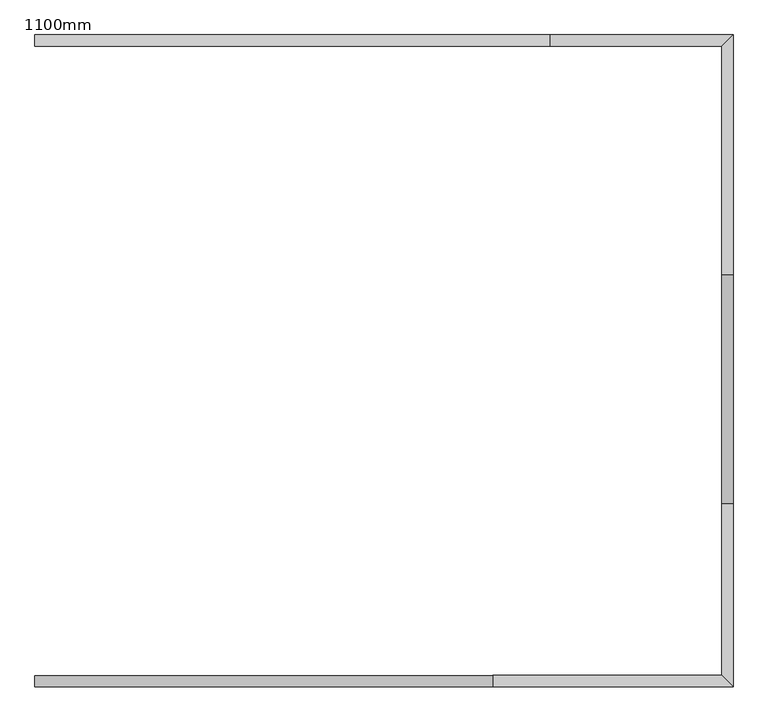
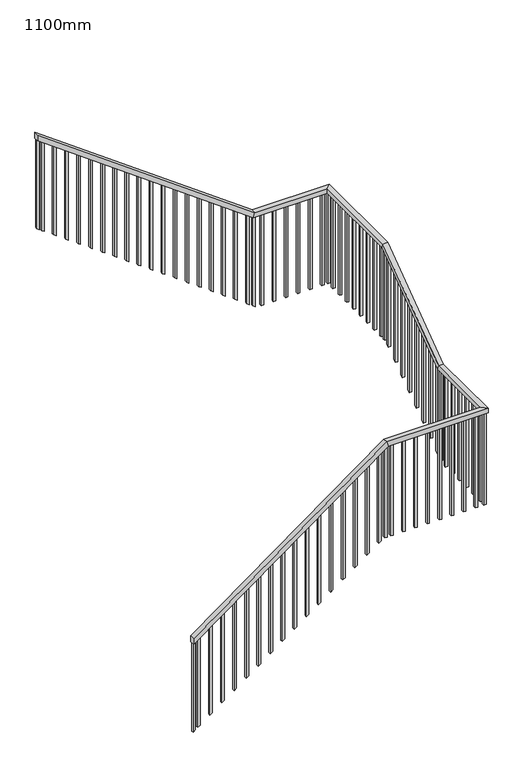
"""IFC4 building model written with IfcOpenShell, lengths in millimetres: railing geometry, 1100mm."""

from ifc_helpers import new_model, si_unit, frame, origin, place, context, project, spatial, polyline, outline, extrude, faceted_brep, source, transform, mapped, element, save


def railing_1100mm_8f896133(model_context):
    return source(origin(), model_context, "Body", "SolidModel", [
        faceted_brep([(1277.8932271, 2462.0434062, 1281.8181818), (1277.8932271, 2512.0434062, 1281.8181818), (1277.8932271, 2512.0434062, 1219.9933159), (1277.8932271, 2462.0434062, 1219.9933159), (3277.8932271, 2462.0434062, 2736.3636364), (3277.8932271, 2512.0434062, 2736.3636364), (3294.1524178, 2512.0434062, 2686.3636364), (3294.1524178, 2462.0434062, 2686.3636364), (4327.8932271, 2462.0434062, 2736.3636364), (4277.8932271, 2512.0434062, 2736.3636364), (4277.8932271, 2512.0434062, 2686.3636364), (4327.8932271, 2462.0434062, 2686.3636364), (4327.8932271, 3262.0434062, 2736.3636364), (4277.8932271, 3262.0434062, 2736.3636364), (4277.8932271, 3278.3025969, 2686.3636364), (4327.8932271, 3278.3025969, 2686.3636364), (4327.8932271, 4262.0434062, 3463.6363636), (4277.8932271, 4262.0434062, 3463.6363636), (4277.8932271, 4278.3025969, 3413.6363636), (4327.8932271, 4278.3025969, 3413.6363636), (4327.8932271, 5312.0434062, 3463.6363636), (4277.8932271, 5262.0434062, 3463.6363636), (4277.8932271, 5262.0434062, 3413.6363636), (4327.8932271, 5312.0434062, 3413.6363636), (3527.8932271, 5312.0434062, 3463.6363636), (3527.8932271, 5262.0434062, 3463.6363636), (3511.6340364, 5262.0434062, 3413.6363636), (3511.6340364, 5312.0434062, 3413.6363636), (1277.8932271, 5312.0434062, 5100.0), (1277.8932271, 5312.0434062, 5038.1751341), (1277.8932271, 5262.0434062, 5038.1751341), (1277.8932271, 5262.0434062, 5100.0)], [[[0, 1, 2, 3]], [[1, 0, 4, 5]], [[2, 1, 5, 6]], [[3, 2, 6, 7]], [[0, 3, 7, 4]], [[5, 4, 8, 9]], [[6, 5, 9, 10]], [[7, 6, 10, 11]], [[4, 7, 11, 8]], [[9, 8, 12, 13]], [[10, 9, 13, 14]], [[11, 10, 14, 15]], [[8, 11, 15, 12]], [[13, 12, 16, 17]], [[14, 13, 17, 18]], [[15, 14, 18, 19]], [[12, 15, 19, 16]], [[17, 16, 20, 21]], [[18, 17, 21, 22]], [[19, 18, 22, 23]], [[16, 19, 23, 20]], [[21, 20, 24, 25]], [[22, 21, 25, 26]], [[23, 22, 26, 27]], [[20, 23, 27, 24]], [[28, 29, 30, 31]], [[25, 24, 28, 31]], [[26, 25, 31, 30]], [[27, 26, 30, 29]], [[24, 27, 29, 28]]]),
        extrude(outline(polyline([(4011.1967897, 1352.8932271), (4983.6296795, 1352.8932271), (5001.8114977, 1327.8932271), (4029.3786078, 1327.8932271), (4011.1967897, 1352.8932271)])), frame((0.0, 5274.5434062, 0.0), z_axis=(0.0, 1.0, 0.0), x_axis=(0.0, 0.0, 1.0)), (0.0, 0.0, 1.0), 25.0),
        extrude(outline(polyline([(3920.2876987, 1477.8932271), (4892.7205886, 1477.8932271), (4910.9024068, 1452.8932271), (3938.4695169, 1452.8932271), (3920.2876987, 1477.8932271)])), frame((0.0, 5274.5434062, 0.0), z_axis=(0.0, 1.0, 0.0), x_axis=(0.0, 0.0, 1.0)), (0.0, 0.0, 1.0), 25.0),
        extrude(outline(polyline([(3829.3786078, 1602.8932271), (4801.8114977, 1602.8932271), (4819.9933159, 1577.8932271), (3847.560426, 1577.8932271), (3829.3786078, 1602.8932271)])), frame((0.0, 5274.5434062, 0.0), z_axis=(0.0, 1.0, 0.0), x_axis=(0.0, 0.0, 1.0)), (0.0, 0.0, 1.0), 25.0),
        extrude(outline(polyline([(3738.4695169, 1727.8932271), (4710.9024068, 1727.8932271), (4729.084225, 1702.8932271), (3756.6513351, 1702.8932271), (3738.4695169, 1727.8932271)])), frame((0.0, 5274.5434062, 0.0), z_axis=(0.0, 1.0, 0.0), x_axis=(0.0, 0.0, 1.0)), (0.0, 0.0, 1.0), 25.0),
        extrude(outline(polyline([(3647.560426, 1852.8932271), (4619.9933159, 1852.8932271), (4638.1751341, 1827.8932271), (3665.7422442, 1827.8932271), (3647.560426, 1852.8932271)])), frame((0.0, 5274.5434062, 0.0), z_axis=(0.0, 1.0, 0.0), x_axis=(0.0, 0.0, 1.0)), (0.0, 0.0, 1.0), 25.0),
        extrude(outline(polyline([(3556.6513351, 1977.8932271), (4529.084225, 1977.8932271), (4547.2660431, 1952.8932271), (3574.8331533, 1952.8932271), (3556.6513351, 1977.8932271)])), frame((0.0, 5274.5434062, 0.0), z_axis=(0.0, 1.0, 0.0), x_axis=(0.0, 0.0, 1.0)), (0.0, 0.0, 1.0), 25.0),
        extrude(outline(polyline([(3465.7422442, 2102.8932271), (4438.1751341, 2102.8932271), (4456.3569522, 2077.8932271), (3483.9240624, 2077.8932271), (3465.7422442, 2102.8932271)])), frame((0.0, 5274.5434062, 0.0), z_axis=(0.0, 1.0, 0.0), x_axis=(0.0, 0.0, 1.0)), (0.0, 0.0, 1.0), 25.0),
        extrude(outline(polyline([(3374.8331533, 2227.8932271), (4347.2660431, 2227.8932271), (4365.4478613, 2202.8932271), (3393.0149715, 2202.8932271), (3374.8331533, 2227.8932271)])), frame((0.0, 5274.5434062, 0.0), z_axis=(0.0, 1.0, 0.0), x_axis=(0.0, 0.0, 1.0)), (0.0, 0.0, 1.0), 25.0),
        extrude(outline(polyline([(3283.9240624, 2352.8932271), (4256.3569522, 2352.8932271), (4274.5387704, 2327.8932271), (3302.1058806, 2327.8932271), (3283.9240624, 2352.8932271)])), frame((0.0, 5274.5434062, 0.0), z_axis=(0.0, 1.0, 0.0), x_axis=(0.0, 0.0, 1.0)), (0.0, 0.0, 1.0), 25.0),
        extrude(outline(polyline([(3193.0149715, 2477.8932271), (4165.4478613, 2477.8932271), (4183.6296795, 2452.8932271), (3211.1967897, 2452.8932271), (3193.0149715, 2477.8932271)])), frame((0.0, 5274.5434062, 0.0), z_axis=(0.0, 1.0, 0.0), x_axis=(0.0, 0.0, 1.0)), (0.0, 0.0, 1.0), 25.0),
        extrude(outline(polyline([(3102.1058806, 2602.8932271), (4074.5387704, 2602.8932271), (4092.7205886, 2577.8932271), (3120.2876987, 2577.8932271), (3102.1058806, 2602.8932271)])), frame((0.0, 5274.5434062, 0.0), z_axis=(0.0, 1.0, 0.0), x_axis=(0.0, 0.0, 1.0)), (0.0, 0.0, 1.0), 25.0),
        extrude(outline(polyline([(3011.1967897, 2727.8932271), (3983.6296795, 2727.8932271), (4001.8114977, 2702.8932271), (3029.3786078, 2702.8932271), (3011.1967897, 2727.8932271)])), frame((0.0, 5274.5434062, 0.0), z_axis=(0.0, 1.0, 0.0), x_axis=(0.0, 0.0, 1.0)), (0.0, 0.0, 1.0), 25.0),
        extrude(outline(polyline([(2920.2876987, 2852.8932271), (3892.7205886, 2852.8932271), (3910.9024068, 2827.8932271), (2938.4695169, 2827.8932271), (2920.2876987, 2852.8932271)])), frame((0.0, 5274.5434062, 0.0), z_axis=(0.0, 1.0, 0.0), x_axis=(0.0, 0.0, 1.0)), (0.0, 0.0, 1.0), 25.0),
        extrude(outline(polyline([(2829.3786078, 2977.8932271), (3801.8114977, 2977.8932271), (3819.9933159, 2952.8932271), (2847.560426, 2952.8932271), (2829.3786078, 2977.8932271)])), frame((0.0, 5274.5434062, 0.0), z_axis=(0.0, 1.0, 0.0), x_axis=(0.0, 0.0, 1.0)), (0.0, 0.0, 1.0), 25.0),
        extrude(outline(polyline([(2738.4695169, 3102.8932271), (3710.9024068, 3102.8932271), (3729.084225, 3077.8932271), (2756.6513351, 3077.8932271), (2738.4695169, 3102.8932271)])), frame((0.0, 5274.5434062, 0.0), z_axis=(0.0, 1.0, 0.0), x_axis=(0.0, 0.0, 1.0)), (0.0, 0.0, 1.0), 25.0),
        extrude(outline(polyline([(2647.560426, 3227.8932271), (3619.9933159, 3227.8932271), (3638.1751341, 3202.8932271), (2665.7422442, 3202.8932271), (2647.560426, 3227.8932271)])), frame((0.0, 5274.5434062, 0.0), z_axis=(0.0, 1.0, 0.0), x_axis=(0.0, 0.0, 1.0)), (0.0, 0.0, 1.0), 25.0),
        extrude(outline(polyline([(2556.6513351, 3352.8932271), (3529.084225, 3352.8932271), (3547.2660431, 3327.8932271), (2574.8331533, 3327.8932271), (2556.6513351, 3352.8932271)])), frame((0.0, 5274.5434062, 0.0), z_axis=(0.0, 1.0, 0.0), x_axis=(0.0, 0.0, 1.0)), (0.0, 0.0, 1.0), 25.0),
        extrude(outline(polyline([(2465.7422442, 3477.8932271), (3438.1751341, 3477.8932271), (3456.3569522, 3452.8932271), (2483.9240624, 3452.8932271), (2465.7422442, 3477.8932271)])), frame((0.0, 5274.5434062, 0.0), z_axis=(0.0, 1.0, 0.0), x_axis=(0.0, 0.0, 1.0)), (0.0, 0.0, 1.0), 25.0),
        extrude(outline(polyline([(3627.8932271, 5299.5434062), (3627.8932271, 5274.5434062), (3602.8932271, 5274.5434062), (3602.8932271, 5299.5434062), (3627.8932271, 5299.5434062)])), frame((0.0, 0.0, 2410.3655468), z_axis=(0.0, 0.0, 1.0), x_axis=(1.0, 0.0, 0.0)), (0.0, 0.0, 1.0), 1003.2708169),
        extrude(outline(polyline([(3752.8932271, 5299.5434062), (3752.8932271, 5274.5434062), (3727.8932271, 5274.5434062), (3727.8932271, 5299.5434062), (3752.8932271, 5299.5434062)])), frame((0.0, 0.0, 2410.3655468), z_axis=(0.0, 0.0, 1.0), x_axis=(1.0, 0.0, 0.0)), (0.0, 0.0, 1.0), 1003.2708169),
        extrude(outline(polyline([(3877.8932271, 5299.5434062), (3877.8932271, 5274.5434062), (3852.8932271, 5274.5434062), (3852.8932271, 5299.5434062), (3877.8932271, 5299.5434062)])), frame((0.0, 0.0, 2410.3655468), z_axis=(0.0, 0.0, 1.0), x_axis=(1.0, 0.0, 0.0)), (0.0, 0.0, 1.0), 1003.2708169),
        extrude(outline(polyline([(4002.8932271, 5299.5434062), (4002.8932271, 5274.5434062), (3977.8932271, 5274.5434062), (3977.8932271, 5299.5434062), (4002.8932271, 5299.5434062)])), frame((0.0, 0.0, 2410.3655468), z_axis=(0.0, 0.0, 1.0), x_axis=(1.0, 0.0, 0.0)), (0.0, 0.0, 1.0), 1003.2708169),
        extrude(outline(polyline([(4127.8932271, 5299.5434062), (4127.8932271, 5274.5434062), (4102.8932271, 5274.5434062), (4102.8932271, 5299.5434062), (4127.8932271, 5299.5434062)])), frame((0.0, 0.0, 2410.3655468), z_axis=(0.0, 0.0, 1.0), x_axis=(1.0, 0.0, 0.0)), (0.0, 0.0, 1.0), 1003.2708169),
        extrude(outline(polyline([(4252.8932271, 5299.5434062), (4252.8932271, 5274.5434062), (4227.8932271, 5274.5434062), (4227.8932271, 5299.5434062), (4252.8932271, 5299.5434062)])), frame((0.0, 0.0, 2410.3655468), z_axis=(0.0, 0.0, 1.0), x_axis=(1.0, 0.0, 0.0)), (0.0, 0.0, 1.0), 1003.2708169),
        extrude(outline(polyline([(4315.3932271, 5187.0434062), (4290.3932271, 5187.0434062), (4290.3932271, 5212.0434062), (4315.3932271, 5212.0434062), (4315.3932271, 5187.0434062)])), frame((0.0, 0.0, 2410.3655468), z_axis=(0.0, 0.0, 1.0), x_axis=(1.0, 0.0, 0.0)), (0.0, 0.0, 1.0), 1003.2708169),
        extrude(outline(polyline([(4315.3932271, 5062.0434062), (4290.3932271, 5062.0434062), (4290.3932271, 5087.0434062), (4315.3932271, 5087.0434062), (4315.3932271, 5062.0434062)])), frame((0.0, 0.0, 2410.3655468), z_axis=(0.0, 0.0, 1.0), x_axis=(1.0, 0.0, 0.0)), (0.0, 0.0, 1.0), 1003.2708169),
        extrude(outline(polyline([(4315.3932271, 4937.0434062), (4290.3932271, 4937.0434062), (4290.3932271, 4962.0434062), (4315.3932271, 4962.0434062), (4315.3932271, 4937.0434062)])), frame((0.0, 0.0, 2410.3655468), z_axis=(0.0, 0.0, 1.0), x_axis=(1.0, 0.0, 0.0)), (0.0, 0.0, 1.0), 1003.2708169),
        extrude(outline(polyline([(4315.3932271, 4812.0434062), (4290.3932271, 4812.0434062), (4290.3932271, 4837.0434062), (4315.3932271, 4837.0434062), (4315.3932271, 4812.0434062)])), frame((0.0, 0.0, 2410.3655468), z_axis=(0.0, 0.0, 1.0), x_axis=(1.0, 0.0, 0.0)), (0.0, 0.0, 1.0), 1003.2708169),
        extrude(outline(polyline([(4315.3932271, 4687.0434062), (4290.3932271, 4687.0434062), (4290.3932271, 4712.0434062), (4315.3932271, 4712.0434062), (4315.3932271, 4687.0434062)])), frame((0.0, 0.0, 2410.3655468), z_axis=(0.0, 0.0, 1.0), x_axis=(1.0, 0.0, 0.0)), (0.0, 0.0, 1.0), 1003.2708169),
        extrude(outline(polyline([(4315.3932271, 4562.0434062), (4290.3932271, 4562.0434062), (4290.3932271, 4587.0434062), (4315.3932271, 4587.0434062), (4315.3932271, 4562.0434062)])), frame((0.0, 0.0, 2410.3655468), z_axis=(0.0, 0.0, 1.0), x_axis=(1.0, 0.0, 0.0)), (0.0, 0.0, 1.0), 1003.2708169),
        extrude(outline(polyline([(4315.3932271, 4437.0434062), (4290.3932271, 4437.0434062), (4290.3932271, 4462.0434062), (4315.3932271, 4462.0434062), (4315.3932271, 4437.0434062)])), frame((0.0, 0.0, 2410.3655468), z_axis=(0.0, 0.0, 1.0), x_axis=(1.0, 0.0, 0.0)), (0.0, 0.0, 1.0), 1003.2708169),
        extrude(outline(polyline([(4315.3932271, 4312.0434062), (4290.3932271, 4312.0434062), (4290.3932271, 4337.0434062), (4315.3932271, 4337.0434062), (4315.3932271, 4312.0434062)])), frame((0.0, 0.0, 2410.3655468), z_axis=(0.0, 0.0, 1.0), x_axis=(1.0, 0.0, 0.0)), (0.0, 0.0, 1.0), 1003.2708169),
        extrude(outline(polyline([(4187.0434062, 2374.8331533), (4187.0434062, 3347.2660431), (4212.0434062, 3365.4478613), (4212.0434062, 2393.0149715), (4187.0434062, 2374.8331533)])), frame((4290.3932271, 0.0, 0.0), z_axis=(1.0, 0.0, 0.0), x_axis=(0.0, 1.0, 0.0)), (0.0, 0.0, 1.0), 25.0),
        extrude(outline(polyline([(4062.0434062, 2283.9240624), (4062.0434062, 3256.3569522), (4087.0434062, 3274.5387704), (4087.0434062, 2302.1058806), (4062.0434062, 2283.9240624)])), frame((4290.3932271, 0.0, 0.0), z_axis=(1.0, 0.0, 0.0), x_axis=(0.0, 1.0, 0.0)), (0.0, 0.0, 1.0), 25.0),
        extrude(outline(polyline([(3937.0434062, 2193.0149715), (3937.0434062, 3165.4478613), (3962.0434062, 3183.6296795), (3962.0434062, 2211.1967897), (3937.0434062, 2193.0149715)])), frame((4290.3932271, 0.0, 0.0), z_axis=(1.0, 0.0, 0.0), x_axis=(0.0, 1.0, 0.0)), (0.0, 0.0, 1.0), 25.0),
        extrude(outline(polyline([(3812.0434062, 2102.1058806), (3812.0434062, 3074.5387704), (3837.0434062, 3092.7205886), (3837.0434062, 2120.2876987), (3812.0434062, 2102.1058806)])), frame((4290.3932271, 0.0, 0.0), z_axis=(1.0, 0.0, 0.0), x_axis=(0.0, 1.0, 0.0)), (0.0, 0.0, 1.0), 25.0),
        extrude(outline(polyline([(3687.0434062, 2011.1967897), (3687.0434062, 2983.6296795), (3712.0434062, 3001.8114977), (3712.0434062, 2029.3786078), (3687.0434062, 2011.1967897)])), frame((4290.3932271, 0.0, 0.0), z_axis=(1.0, 0.0, 0.0), x_axis=(0.0, 1.0, 0.0)), (0.0, 0.0, 1.0), 25.0),
        extrude(outline(polyline([(3562.0434062, 1920.2876987), (3562.0434062, 2892.7205886), (3587.0434062, 2910.9024068), (3587.0434062, 1938.4695169), (3562.0434062, 1920.2876987)])), frame((4290.3932271, 0.0, 0.0), z_axis=(1.0, 0.0, 0.0), x_axis=(0.0, 1.0, 0.0)), (0.0, 0.0, 1.0), 25.0),
        extrude(outline(polyline([(3437.0434062, 1829.3786078), (3437.0434062, 2801.8114977), (3462.0434062, 2819.9933159), (3462.0434062, 1847.560426), (3437.0434062, 1829.3786078)])), frame((4290.3932271, 0.0, 0.0), z_axis=(1.0, 0.0, 0.0), x_axis=(0.0, 1.0, 0.0)), (0.0, 0.0, 1.0), 25.0),
        extrude(outline(polyline([(3312.0434062, 1738.4695169), (3312.0434062, 2710.9024068), (3337.0434062, 2729.084225), (3337.0434062, 1756.6513351), (3312.0434062, 1738.4695169)])), frame((4290.3932271, 0.0, 0.0), z_axis=(1.0, 0.0, 0.0), x_axis=(0.0, 1.0, 0.0)), (0.0, 0.0, 1.0), 25.0),
        extrude(outline(polyline([(4315.3932271, 3162.0434062), (4290.3932271, 3162.0434062), (4290.3932271, 3187.0434062), (4315.3932271, 3187.0434062), (4315.3932271, 3162.0434062)])), frame((0.0, 0.0, 1683.0928195), z_axis=(0.0, 0.0, 1.0), x_axis=(1.0, 0.0, 0.0)), (0.0, 0.0, 1.0), 1003.2708169),
        extrude(outline(polyline([(4315.3932271, 3037.0434062), (4290.3932271, 3037.0434062), (4290.3932271, 3062.0434062), (4315.3932271, 3062.0434062), (4315.3932271, 3037.0434062)])), frame((0.0, 0.0, 1683.0928195), z_axis=(0.0, 0.0, 1.0), x_axis=(1.0, 0.0, 0.0)), (0.0, 0.0, 1.0), 1003.2708169),
        extrude(outline(polyline([(4315.3932271, 2912.0434062), (4290.3932271, 2912.0434062), (4290.3932271, 2937.0434062), (4315.3932271, 2937.0434062), (4315.3932271, 2912.0434062)])), frame((0.0, 0.0, 1683.0928195), z_axis=(0.0, 0.0, 1.0), x_axis=(1.0, 0.0, 0.0)), (0.0, 0.0, 1.0), 1003.2708169),
        extrude(outline(polyline([(4315.3932271, 2787.0434062), (4290.3932271, 2787.0434062), (4290.3932271, 2812.0434062), (4315.3932271, 2812.0434062), (4315.3932271, 2787.0434062)])), frame((0.0, 0.0, 1683.0928195), z_axis=(0.0, 0.0, 1.0), x_axis=(1.0, 0.0, 0.0)), (0.0, 0.0, 1.0), 1003.2708169),
        extrude(outline(polyline([(4315.3932271, 2662.0434062), (4290.3932271, 2662.0434062), (4290.3932271, 2687.0434062), (4315.3932271, 2687.0434062), (4315.3932271, 2662.0434062)])), frame((0.0, 0.0, 1683.0928195), z_axis=(0.0, 0.0, 1.0), x_axis=(1.0, 0.0, 0.0)), (0.0, 0.0, 1.0), 1003.2708169),
        extrude(outline(polyline([(4315.3932271, 2537.0434062), (4290.3932271, 2537.0434062), (4290.3932271, 2562.0434062), (4315.3932271, 2562.0434062), (4315.3932271, 2537.0434062)])), frame((0.0, 0.0, 1683.0928195), z_axis=(0.0, 0.0, 1.0), x_axis=(1.0, 0.0, 0.0)), (0.0, 0.0, 1.0), 1003.2708169),
        extrude(outline(polyline([(4202.8932271, 2474.5434062), (4202.8932271, 2499.5434062), (4227.8932271, 2499.5434062), (4227.8932271, 2474.5434062), (4202.8932271, 2474.5434062)])), frame((0.0, 0.0, 1683.0928195), z_axis=(0.0, 0.0, 1.0), x_axis=(1.0, 0.0, 0.0)), (0.0, 0.0, 1.0), 1003.2708169),
        extrude(outline(polyline([(4077.8932271, 2474.5434062), (4077.8932271, 2499.5434062), (4102.8932271, 2499.5434062), (4102.8932271, 2474.5434062), (4077.8932271, 2474.5434062)])), frame((0.0, 0.0, 1683.0928195), z_axis=(0.0, 0.0, 1.0), x_axis=(1.0, 0.0, 0.0)), (0.0, 0.0, 1.0), 1003.2708169),
        extrude(outline(polyline([(3952.8932271, 2474.5434062), (3952.8932271, 2499.5434062), (3977.8932271, 2499.5434062), (3977.8932271, 2474.5434062), (3952.8932271, 2474.5434062)])), frame((0.0, 0.0, 1683.0928195), z_axis=(0.0, 0.0, 1.0), x_axis=(1.0, 0.0, 0.0)), (0.0, 0.0, 1.0), 1003.2708169),
        extrude(outline(polyline([(3827.8932271, 2474.5434062), (3827.8932271, 2499.5434062), (3852.8932271, 2499.5434062), (3852.8932271, 2474.5434062), (3827.8932271, 2474.5434062)])), frame((0.0, 0.0, 1683.0928195), z_axis=(0.0, 0.0, 1.0), x_axis=(1.0, 0.0, 0.0)), (0.0, 0.0, 1.0), 1003.2708169),
        extrude(outline(polyline([(3702.8932271, 2474.5434062), (3702.8932271, 2499.5434062), (3727.8932271, 2499.5434062), (3727.8932271, 2474.5434062), (3702.8932271, 2474.5434062)])), frame((0.0, 0.0, 1683.0928195), z_axis=(0.0, 0.0, 1.0), x_axis=(1.0, 0.0, 0.0)), (0.0, 0.0, 1.0), 1003.2708169),
        extrude(outline(polyline([(3577.8932271, 2474.5434062), (3577.8932271, 2499.5434062), (3602.8932271, 2499.5434062), (3602.8932271, 2474.5434062), (3577.8932271, 2474.5434062)])), frame((0.0, 0.0, 1683.0928195), z_axis=(0.0, 0.0, 1.0), x_axis=(1.0, 0.0, 0.0)), (0.0, 0.0, 1.0), 1003.2708169),
        extrude(outline(polyline([(3452.8932271, 2474.5434062), (3452.8932271, 2499.5434062), (3477.8932271, 2499.5434062), (3477.8932271, 2474.5434062), (3452.8932271, 2474.5434062)])), frame((0.0, 0.0, 1683.0928195), z_axis=(0.0, 0.0, 1.0), x_axis=(1.0, 0.0, 0.0)), (0.0, 0.0, 1.0), 1003.2708169),
        extrude(outline(polyline([(3327.8932271, 2474.5434062), (3327.8932271, 2499.5434062), (3352.8932271, 2499.5434062), (3352.8932271, 2474.5434062), (3327.8932271, 2474.5434062)])), frame((0.0, 0.0, 1683.0928195), z_axis=(0.0, 0.0, 1.0), x_axis=(1.0, 0.0, 0.0)), (0.0, 0.0, 1.0), 1003.2708169),
        extrude(outline(polyline([(2619.9933159, 3202.8932271), (1647.560426, 3202.8932271), (1665.7422442, 3227.8932271), (2638.1751341, 3227.8932271), (2619.9933159, 3202.8932271)])), frame((0.0, 2474.5434062, 0.0), z_axis=(0.0, 1.0, 0.0), x_axis=(0.0, 0.0, 1.0)), (0.0, 0.0, 1.0), 25.0),
        extrude(outline(polyline([(2529.084225, 3077.8932271), (1556.6513351, 3077.8932271), (1574.8331533, 3102.8932271), (2547.2660431, 3102.8932271), (2529.084225, 3077.8932271)])), frame((0.0, 2474.5434062, 0.0), z_axis=(0.0, 1.0, 0.0), x_axis=(0.0, 0.0, 1.0)), (0.0, 0.0, 1.0), 25.0),
        extrude(outline(polyline([(2438.1751341, 2952.8932271), (1465.7422442, 2952.8932271), (1483.9240624, 2977.8932271), (2456.3569522, 2977.8932271), (2438.1751341, 2952.8932271)])), frame((0.0, 2474.5434062, 0.0), z_axis=(0.0, 1.0, 0.0), x_axis=(0.0, 0.0, 1.0)), (0.0, 0.0, 1.0), 25.0),
        extrude(outline(polyline([(2347.2660431, 2827.8932271), (1374.8331533, 2827.8932271), (1393.0149715, 2852.8932271), (2365.4478613, 2852.8932271), (2347.2660431, 2827.8932271)])), frame((0.0, 2474.5434062, 0.0), z_axis=(0.0, 1.0, 0.0), x_axis=(0.0, 0.0, 1.0)), (0.0, 0.0, 1.0), 25.0),
        extrude(outline(polyline([(2256.3569522, 2702.8932271), (1283.9240624, 2702.8932271), (1302.1058806, 2727.8932271), (2274.5387704, 2727.8932271), (2256.3569522, 2702.8932271)])), frame((0.0, 2474.5434062, 0.0), z_axis=(0.0, 1.0, 0.0), x_axis=(0.0, 0.0, 1.0)), (0.0, 0.0, 1.0), 25.0),
        extrude(outline(polyline([(2165.4478613, 2577.8932271), (1193.0149715, 2577.8932271), (1211.1967897, 2602.8932271), (2183.6296795, 2602.8932271), (2165.4478613, 2577.8932271)])), frame((0.0, 2474.5434062, 0.0), z_axis=(0.0, 1.0, 0.0), x_axis=(0.0, 0.0, 1.0)), (0.0, 0.0, 1.0), 25.0),
        extrude(outline(polyline([(2074.5387704, 2452.8932271), (1102.1058806, 2452.8932271), (1120.2876987, 2477.8932271), (2092.7205886, 2477.8932271), (2074.5387704, 2452.8932271)])), frame((0.0, 2474.5434062, 0.0), z_axis=(0.0, 1.0, 0.0), x_axis=(0.0, 0.0, 1.0)), (0.0, 0.0, 1.0), 25.0),
        extrude(outline(polyline([(1983.6296795, 2327.8932271), (1011.1967897, 2327.8932271), (1029.3786078, 2352.8932271), (2001.8114977, 2352.8932271), (1983.6296795, 2327.8932271)])), frame((0.0, 2474.5434062, 0.0), z_axis=(0.0, 1.0, 0.0), x_axis=(0.0, 0.0, 1.0)), (0.0, 0.0, 1.0), 25.0),
        extrude(outline(polyline([(1892.7205886, 2202.8932271), (920.2876987, 2202.8932271), (938.4695169, 2227.8932271), (1910.9024068, 2227.8932271), (1892.7205886, 2202.8932271)])), frame((0.0, 2474.5434062, 0.0), z_axis=(0.0, 1.0, 0.0), x_axis=(0.0, 0.0, 1.0)), (0.0, 0.0, 1.0), 25.0),
        extrude(outline(polyline([(1801.8114977, 2077.8932271), (829.3786078, 2077.8932271), (847.560426, 2102.8932271), (1819.9933159, 2102.8932271), (1801.8114977, 2077.8932271)])), frame((0.0, 2474.5434062, 0.0), z_axis=(0.0, 1.0, 0.0), x_axis=(0.0, 0.0, 1.0)), (0.0, 0.0, 1.0), 25.0),
        extrude(outline(polyline([(1710.9024068, 1952.8932271), (738.4695169, 1952.8932271), (756.6513351, 1977.8932271), (1729.084225, 1977.8932271), (1710.9024068, 1952.8932271)])), frame((0.0, 2474.5434062, 0.0), z_axis=(0.0, 1.0, 0.0), x_axis=(0.0, 0.0, 1.0)), (0.0, 0.0, 1.0), 25.0),
        extrude(outline(polyline([(1619.9933159, 1827.8932271), (647.560426, 1827.8932271), (665.7422442, 1852.8932271), (1638.1751341, 1852.8932271), (1619.9933159, 1827.8932271)])), frame((0.0, 2474.5434062, 0.0), z_axis=(0.0, 1.0, 0.0), x_axis=(0.0, 0.0, 1.0)), (0.0, 0.0, 1.0), 25.0),
        extrude(outline(polyline([(1529.084225, 1702.8932271), (556.6513351, 1702.8932271), (574.8331533, 1727.8932271), (1547.2660431, 1727.8932271), (1529.084225, 1702.8932271)])), frame((0.0, 2474.5434062, 0.0), z_axis=(0.0, 1.0, 0.0), x_axis=(0.0, 0.0, 1.0)), (0.0, 0.0, 1.0), 25.0),
        extrude(outline(polyline([(1438.1751341, 1577.8932271), (465.7422442, 1577.8932271), (483.9240624, 1602.8932271), (1456.3569522, 1602.8932271), (1438.1751341, 1577.8932271)])), frame((0.0, 2474.5434062, 0.0), z_axis=(0.0, 1.0, 0.0), x_axis=(0.0, 0.0, 1.0)), (0.0, 0.0, 1.0), 25.0),
        extrude(outline(polyline([(1347.2660431, 1452.8932271), (374.8331533, 1452.8932271), (393.0149715, 1477.8932271), (1365.4478613, 1477.8932271), (1347.2660431, 1452.8932271)])), frame((0.0, 2474.5434062, 0.0), z_axis=(0.0, 1.0, 0.0), x_axis=(0.0, 0.0, 1.0)), (0.0, 0.0, 1.0), 25.0),
        extrude(outline(polyline([(1256.3569522, 1327.8932271), (283.9240624, 1327.8932271), (302.1058806, 1352.8932271), (1274.5387704, 1352.8932271), (1256.3569522, 1327.8932271)])), frame((0.0, 2474.5434062, 0.0), z_axis=(0.0, 1.0, 0.0), x_axis=(0.0, 0.0, 1.0)), (0.0, 0.0, 1.0), 25.0),
        extrude(outline(polyline([(2420.2876987, 3540.3932271), (3413.6363636, 3540.3932271), (3413.6363636, 3515.3932271), (2438.4695169, 3515.3932271), (2420.2876987, 3540.3932271)])), frame((0.0, 5274.5434062, 0.0), z_axis=(0.0, 1.0, 0.0), x_axis=(0.0, 0.0, 1.0)), (0.0, 0.0, 1.0), 25.0),
        extrude(outline(polyline([(4315.3932271, 5274.5434062), (4290.3932271, 5274.5434062), (4290.3932271, 5299.5434062), (4315.3932271, 5299.5434062), (4315.3932271, 5274.5434062)])), frame((0.0, 0.0, 2410.3655468), z_axis=(0.0, 0.0, 1.0), x_axis=(1.0, 0.0, 0.0)), (0.0, 0.0, 1.0), 1003.2708169),
        extrude(outline(polyline([(4249.5434062, 2410.3655468), (4249.5434062, 3392.7205886), (4274.5434062, 3410.9024068), (4274.5434062, 2410.3655468), (4249.5434062, 2410.3655468)])), frame((4290.3932271, 0.0, 0.0), z_axis=(1.0, 0.0, 0.0), x_axis=(0.0, 1.0, 0.0)), (0.0, 0.0, 1.0), 25.0),
        extrude(outline(polyline([(3249.5434062, 1693.0149715), (3249.5434062, 2686.3636364), (3274.5434062, 2686.3636364), (3274.5434062, 1711.1967897), (3249.5434062, 1693.0149715)])), frame((4290.3932271, 0.0, 0.0), z_axis=(1.0, 0.0, 0.0), x_axis=(0.0, 1.0, 0.0)), (0.0, 0.0, 1.0), 25.0),
        extrude(outline(polyline([(4290.3932271, 2474.5434062), (4290.3932271, 2499.5434062), (4315.3932271, 2499.5434062), (4315.3932271, 2474.5434062), (4290.3932271, 2474.5434062)])), frame((0.0, 0.0, 1683.0928195), z_axis=(0.0, 0.0, 1.0), x_axis=(1.0, 0.0, 0.0)), (0.0, 0.0, 1.0), 1003.2708169),
        extrude(outline(polyline([(2665.4478613, 3265.3932271), (1683.0928195, 3265.3932271), (1683.0928195, 3290.3932271), (2683.6296795, 3290.3932271), (2665.4478613, 3265.3932271)])), frame((0.0, 2474.5434062, 0.0), z_axis=(0.0, 1.0, 0.0), x_axis=(0.0, 0.0, 1.0)), (0.0, 0.0, 1.0), 25.0),
        extrude(outline(polyline([(4047.560426, 1302.8932271), (5019.9933159, 1302.8932271), (5038.1751341, 1277.8932271), (4065.7422442, 1277.8932271), (4047.560426, 1302.8932271)])), frame((0.0, 5274.5434062, 0.0), z_axis=(0.0, 1.0, 0.0), x_axis=(0.0, 0.0, 1.0)), (0.0, 0.0, 1.0), 25.0),
        extrude(outline(polyline([(1219.9933159, 1277.8932271), (247.560426, 1277.8932271), (265.7422442, 1302.8932271), (1238.1751341, 1302.8932271), (1219.9933159, 1277.8932271)])), frame((0.0, 2474.5434062, 0.0), z_axis=(0.0, 1.0, 0.0), x_axis=(0.0, 0.0, 1.0)), (0.0, 0.0, 1.0), 25.0),
    ])


if __name__ == "__main__":
    model = new_model("IFC4")
    model_context = context("Model", 3, world=origin())
    ifc_project = project(units=[si_unit("LENGTHUNIT", "METRE", prefix="MILLI")], contexts=[model_context])
    site = spatial("IfcSite", under=ifc_project)
    building = spatial("IfcBuilding", under=site)
    placement = place(None, origin())
    railing_1100mm_shape = railing_1100mm_8f896133(model_context)
    element("IfcRailing", 1, ObjectType="1100mm", at=placement, inside=building, context=model_context, shape_type="MappedRepresentation", body=[
        mapped(railing_1100mm_shape, transform((0.0, 0.0, 0.0), x_axis=(1.0, 0.0, 0.0), y_axis=(0.0, 1.0, 0.0), z_axis=(0.0, 0.0, 1.0))),
    ])
    save(model, "model.ifc")
